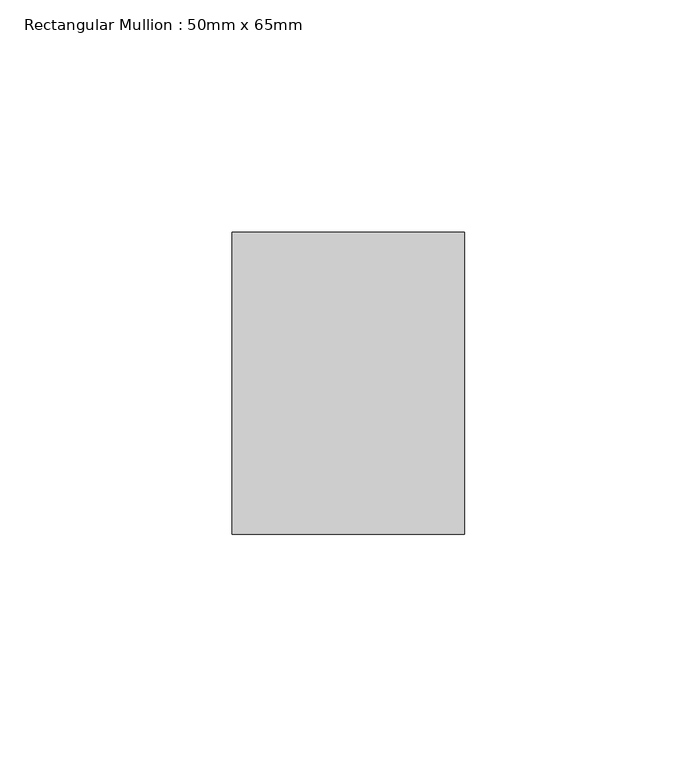
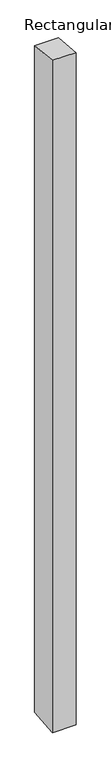
"""IFC4 building model written with IfcOpenShell, lengths in millimetres: member geometry, Rectangular Mullion : 50mm x 65mm."""

from ifc_helpers import new_model, si_unit, origin, place, context, project, spatial, faceted_brep, source, transform, mapped, element, save


def rectangular_mullion_50mm_x_65mm_7f69ed42(model_context):
    return source(origin(), model_context, "Body", "Brep", [
        faceted_brep([(-25.0, 32.5, -3.3716802), (25.0, 32.5, -3.3716848), (25.0, 32.5, -1496.8525428), (-25.0, 32.5, -1496.8525471), (-25.0, -32.5, 3.3716848), (-25.0, -32.5, -1503.146421), (25.0, -32.5, 3.3716802), (25.0, -32.5, -1503.1464167)], [[[0, 1, 2, 3]], [[4, 0, 3, 5]], [[6, 4, 5, 7]], [[1, 6, 7, 2]], [[1, 0, 4, 6]], [[2, 7, 5, 3]]]),
    ])


if __name__ == "__main__":
    model = new_model("IFC4")
    model_context = context("Model", 3, world=origin())
    ifc_project = project(units=[si_unit("LENGTHUNIT", "METRE", prefix="MILLI")], contexts=[model_context])
    site = spatial("IfcSite", under=ifc_project)
    building = spatial("IfcBuilding", under=site)
    placement = place(None, origin())
    rectangular_mullion_50mm_x_65mm_shape = rectangular_mullion_50mm_x_65mm_7f69ed42(model_context)
    element("IfcMember", 1, ObjectType="Rectangular Mullion : 50mm x 65mm", at=placement, inside=building, context=model_context, shape_type="MappedRepresentation", body=[
        mapped(rectangular_mullion_50mm_x_65mm_shape, transform((0.0, 0.0, 0.0), x_axis=(1.0, 0.0, 0.0), y_axis=(0.0, 1.0, 0.0), z_axis=(0.0, 0.0, 1.0))),
    ])
    save(model, "model.ifc")
